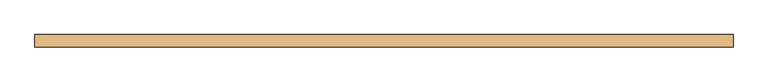
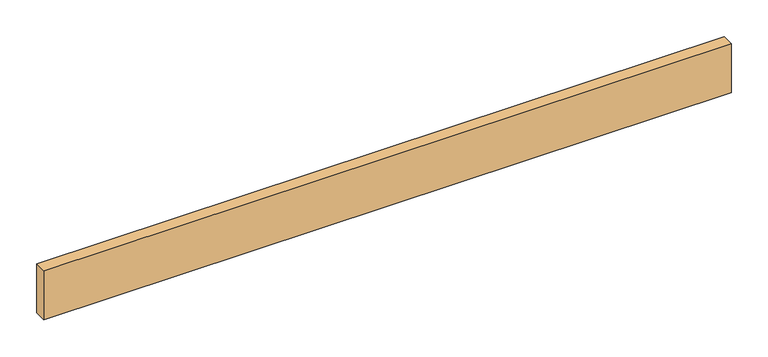
"""IFC4 building model written with IfcOpenShell, lengths in millimetres: door geometry."""

from ifc_helpers import new_model, si_unit, origin, origin_with_axes, place, context, project, spatial, polyline, outline, extrude, source, transform, mapped, element, save


def door_6e721604(model_context):
    return source(origin(), model_context, "Body", "SweptSolid", [
        extrude(outline(polyline([(539.75, 0.0), (539.75, -19.05), (-539.75, -19.05), (-539.75, 0.0), (539.75, 0.0)])), origin_with_axes(), (0.0, 0.0, 1.0), 81.28),
    ])


if __name__ == "__main__":
    model = new_model("IFC4")
    model_context = context("Model", 3, world=origin())
    ifc_project = project(units=[si_unit("LENGTHUNIT", "METRE", prefix="MILLI")], contexts=[model_context])
    site = spatial("IfcSite", under=ifc_project)
    building = spatial("IfcBuilding", under=site)
    placement = place(None, origin())
    door_shape = door_6e721604(model_context)
    element("IfcDoor", 1, at=placement, inside=building, context=model_context, shape_type="MappedRepresentation", body=[
        mapped(door_shape, transform((0.0, 0.0, 0.0), x_axis=(1.0, 0.0, 0.0), y_axis=(0.0, 1.0, 0.0), z_axis=(0.0, 0.0, 1.0))),
    ])
    save(model, "model.ifc")
